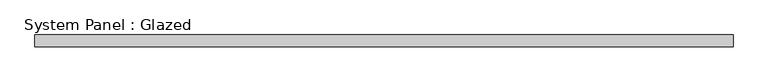
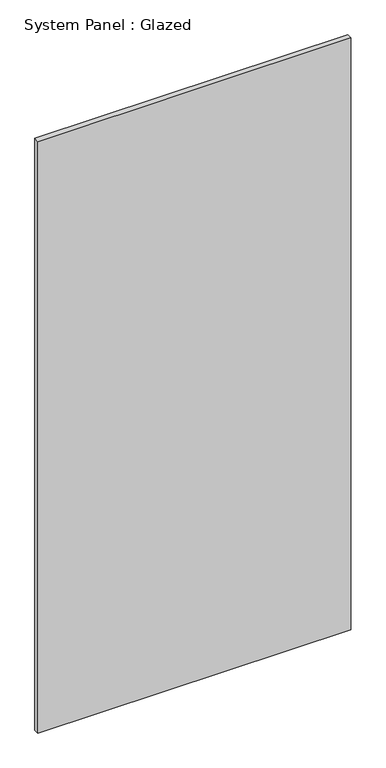
"""IFC4 building model written with IfcOpenShell, lengths in millimetres: plate geometry, System Panel : Glazed."""

from ifc_helpers import new_model, si_unit, origin, origin_with_axes, place, context, project, spatial, polyline, outline, extrude, source, transform, mapped, element, save


def system_panel_glazed_756cb871(model_context):
    return source(origin(), model_context, "Body", "SweptSolid", [
        extrude(outline(polyline([(749.3, -44.45), (-749.3, -44.45), (-749.3, -19.05), (749.3, -19.05), (749.3, -44.45)])), origin_with_axes(), (0.0, 0.0, 1.0), 2997.2),
    ])


if __name__ == "__main__":
    model = new_model("IFC4")
    model_context = context("Model", 3, world=origin())
    ifc_project = project(units=[si_unit("LENGTHUNIT", "METRE", prefix="MILLI")], contexts=[model_context])
    site = spatial("IfcSite", under=ifc_project)
    building = spatial("IfcBuilding", under=site)
    placement = place(None, origin())
    system_panel_glazed_shape = system_panel_glazed_756cb871(model_context)
    element("IfcPlate", 1, ObjectType="System Panel : Glazed", at=placement, inside=building, context=model_context, shape_type="MappedRepresentation", body=[
        mapped(system_panel_glazed_shape, transform((0.0, 0.0, 0.0), x_axis=(1.0, 0.0, 0.0), y_axis=(0.0, 1.0, 0.0), z_axis=(0.0, 0.0, 1.0))),
    ])
    save(model, "model.ifc")
